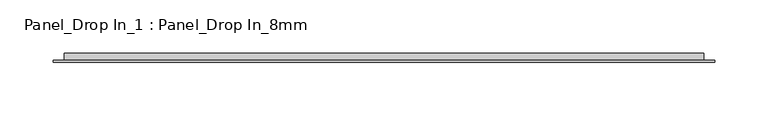
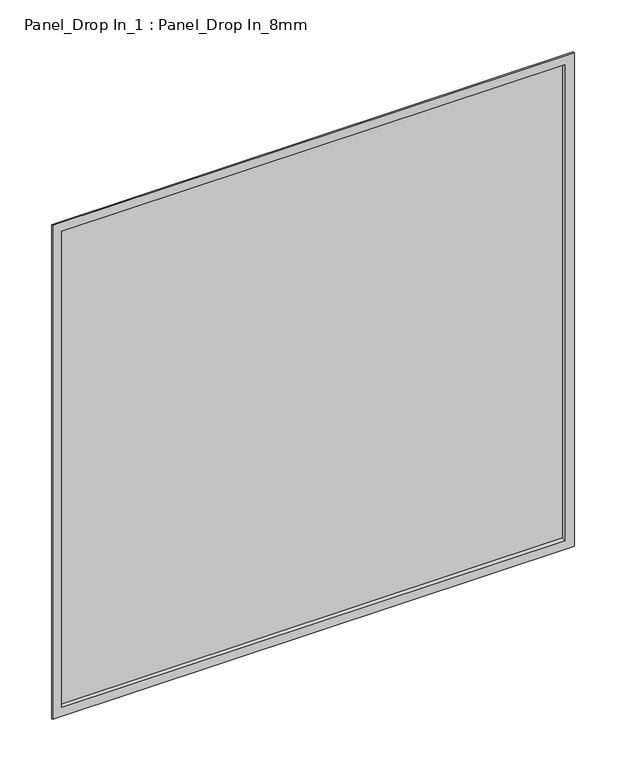
"""IFC4 building model written with IfcOpenShell, lengths in millimetres: plate geometry, Panel_Drop In_1 : Panel_Drop In_8mm."""

from ifc_helpers import new_model, si_unit, frame, origin, place, context, project, spatial, polyline, outline, extrude, faceted_brep, source, transform, mapped, element, save


def panel_drop_in_1_panel_drop_in_8mm_99887a1c(model_context):
    return source(origin(), model_context, "Body", "SolidModel", [
        extrude(outline(polyline([(298.0000002, 5.5297993), (-298.0000002, 5.5297993), (-298.0000002, 7.0), (298.0000002, 7.0), (298.0000002, 5.5297993)])), frame((0.0, 0.0, 1.0), z_axis=(0.0, 0.0, 1.0), x_axis=(1.0, 0.0, 0.0)), (0.0, 0.0, 1.0), 596.0),
        faceted_brep([(-309.0000002, 0.0, 608.0), (-309.0000002, 1.5, 608.0), (-309.0000002, 1.5, -10.0), (-309.0000002, 0.0, -10.0), (-298.0000002, 7.0, 597.0), (-298.0000002, 0.0, 597.0), (-298.0000002, 0.0, 1.0), (-298.0000002, 7.0, 1.0), (-289.0000002, 8.0, 588.0), (-289.0000002, 7.0, 588.0), (-289.0000002, 7.0, 10.0), (-289.0000002, 8.0, 10.0), (-299.0000002, 1.5, 598.0), (-299.0000002, 8.0, 598.0), (-299.0000002, 8.0, 0.0), (-299.0000002, 1.5, 0.0), (309.0000002, 1.5, -10.0), (309.0000002, 0.0, -10.0), (298.0000002, 0.0, 1.0), (298.0000002, 7.0, 1.0), (289.0000002, 7.0, 10.0), (289.0000002, 8.0, 10.0), (299.0000002, 8.0, 0.0), (299.0000002, 1.5, 0.0), (309.0000002, 1.5, 608.0), (309.0000002, 0.0, 608.0), (298.0000002, 0.0, 597.0), (298.0000002, 7.0, 597.0), (289.0000002, 7.0, 588.0), (289.0000002, 8.0, 588.0), (299.0000002, 8.0, 598.0), (299.0000002, 1.5, 598.0)], [[[0, 1, 2, 3]], [[4, 5, 6, 7]], [[8, 9, 10, 11]], [[12, 13, 14, 15]], [[3, 2, 16, 17]], [[7, 6, 18, 19]], [[11, 10, 20, 21]], [[15, 14, 22, 23]], [[17, 16, 24, 25]], [[19, 18, 26, 27]], [[21, 20, 28, 29]], [[23, 22, 30, 31]], [[25, 24, 1, 0]], [[3, 17, 25, 0], [5, 26, 18, 6]], [[27, 26, 5, 4]], [[7, 19, 27, 4], [9, 28, 20, 10]], [[29, 28, 9, 8]], [[13, 30, 22, 14], [11, 21, 29, 8]], [[31, 30, 13, 12]], [[1, 24, 16, 2], [15, 23, 31, 12]]]),
        extrude(outline(polyline([(289.0000002, 7.0), (-289.0000002, 7.0), (-289.0000002, 8.0), (289.0000002, 8.0), (289.0000002, 7.0)])), frame((0.0, 0.0, 10.0), z_axis=(0.0, 0.0, 1.0), x_axis=(1.0, 0.0, 0.0)), (0.0, 0.0, 1.0), 578.0),
    ])


if __name__ == "__main__":
    model = new_model("IFC4")
    model_context = context("Model", 3, world=origin())
    ifc_project = project(units=[si_unit("LENGTHUNIT", "METRE", prefix="MILLI")], contexts=[model_context])
    site = spatial("IfcSite", under=ifc_project)
    building = spatial("IfcBuilding", under=site)
    placement = place(None, origin())
    panel_drop_in_1_panel_drop_in_8mm_shape = panel_drop_in_1_panel_drop_in_8mm_99887a1c(model_context)
    element("IfcPlate", 1, ObjectType="Panel_Drop In_1 : Panel_Drop In_8mm", at=placement, inside=building, context=model_context, shape_type="MappedRepresentation", body=[
        mapped(panel_drop_in_1_panel_drop_in_8mm_shape, transform((0.0, 0.0, 0.0), x_axis=(1.0, 0.0, 0.0), y_axis=(0.0, 1.0, 0.0), z_axis=(0.0, 0.0, 1.0))),
    ])
    save(model, "model.ifc")
